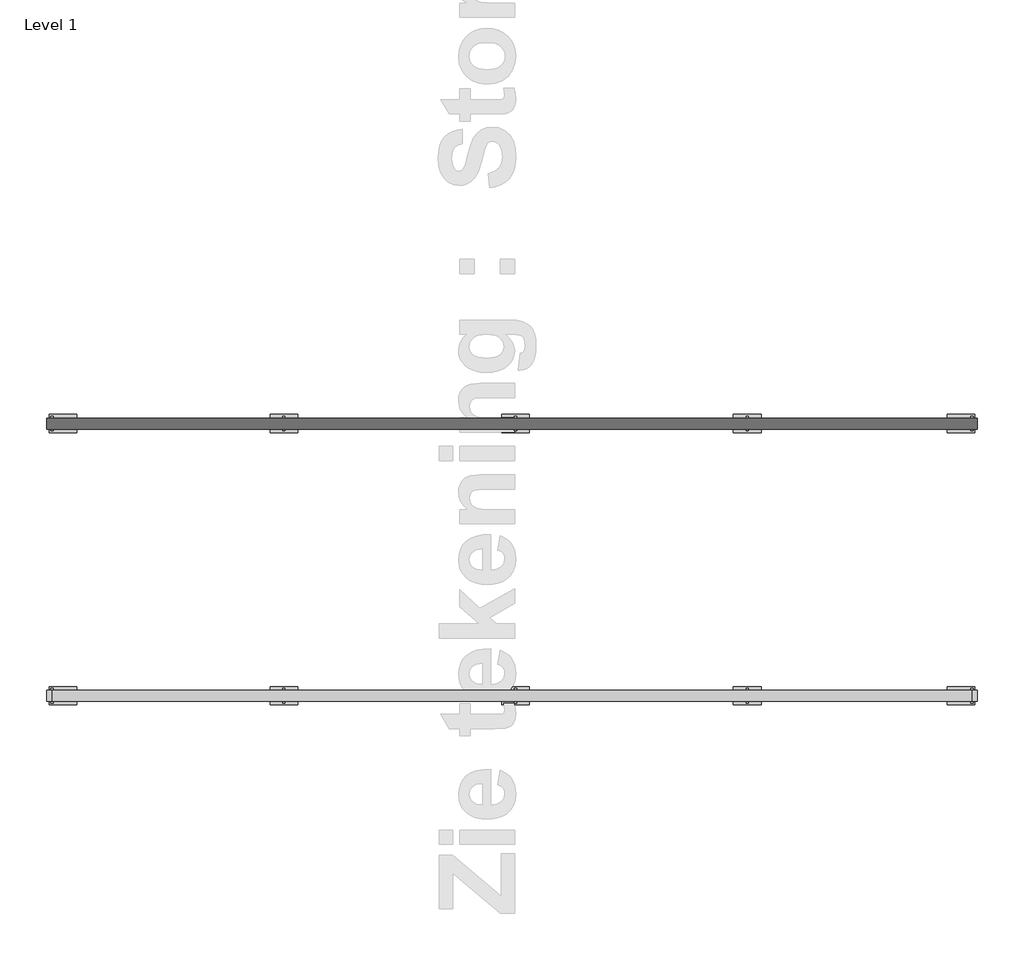
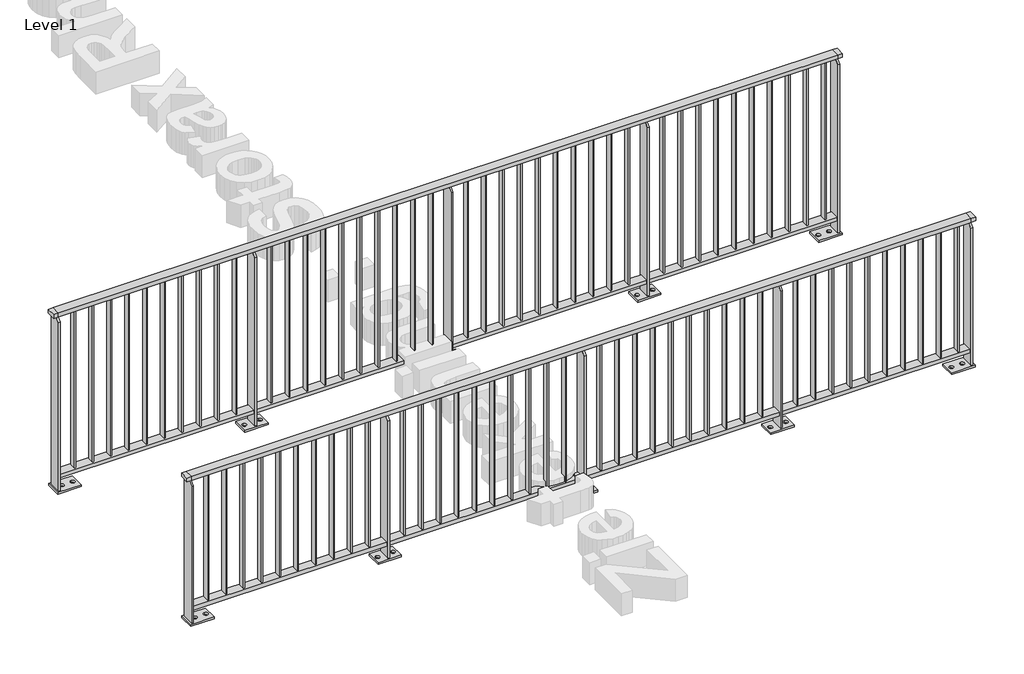
# One storey, part 6 of 20: 2 railings.
"""IFC4 building model written with IfcOpenShell, lengths in millimetres."""

from ifc_helpers import new_model, si_unit, point, frame, frame_2d, origin, origin_with_axes, place, context, project, spatial, polyline, circle_curve, trimmed, segment, composite_curve, outline, extrude, faceted_brep, element, save

model = new_model("IFC4")

# Units and contexts
model_context = context("Model", 3, world=origin())
ifc_project = project(units=[si_unit("LENGTHUNIT", "METRE", prefix="MILLI")], contexts=[model_context])

# Site, building, storey
site = spatial("IfcSite", under=ifc_project)
building = spatial("IfcBuilding", under=site)
storey = spatial("IfcBuildingStorey", under=building, Name="Level 1", Elevation=0.0)

# Railings
placement = place(None, origin())
element("IfcRailing", 1, at=placement, inside=storey, context=model_context, shape_type="SolidModel", body=[
    faceted_brep([(2259.1925079, -5700.6318854, 975.0), (2259.1925079, -5700.6318854, 1000.0), (7260.6479588, -5700.6318854, 1000.0), (7260.6479588, -5700.6318854, 975.0), (2259.1925079, -5760.6318854, 975.0), (7260.6479588, -5760.6318854, 975.0), (2259.1925079, -5760.6318854, 1000.0), (7260.6479588, -5760.6318854, 1000.0), (2229.1925079, -5700.6318854, 1000.0), (2229.1925079, -5700.6318854, 975.0), (2229.1925079, -5760.6318854, 975.0), (2229.1925079, -5760.6318854, 1000.0), (7290.6479588, -5700.6318854, 1000.0), (7290.6479588, -5760.6318854, 1000.0), (7290.6479588, -5760.6318854, 975.0), (7290.6479588, -5700.6318854, 975.0)], [[[0, 1, 2, 3]], [[4, 0, 3, 5]], [[6, 4, 5, 7]], [[1, 6, 7, 2]], [[8, 9, 10, 11]], [[9, 8, 1, 0]], [[10, 9, 0, 4]], [[11, 10, 4, 6]], [[8, 11, 6, 1]], [[12, 13, 14, 15]], [[3, 2, 12, 15]], [[5, 3, 15, 14]], [[7, 5, 14, 13]], [[2, 7, 13, 12]]]),
    extrude(outline(polyline([(2259.1925079, -5760.6318854), (2259.1925079, -5700.6318854), (7260.6479588, -5700.6318854), (7260.6479588, -5760.6318854), (2259.1925079, -5760.6318854)])), frame((0.0, 0.0, 90.0), z_axis=(0.0, 0.0, 1.0), x_axis=(1.0, 0.0, 0.0)), (0.0, 0.0, 1.0), 25.0),
    extrude(outline(polyline([(7182.6925079, -5750.6318854), (7182.6925079, -5710.6318854), (7190.6925079, -5710.6318854), (7190.6925079, -5750.6318854), (7182.6925079, -5750.6318854)])), frame((0.0, 0.0, 115.0), z_axis=(0.0, 0.0, 1.0), x_axis=(1.0, 0.0, 0.0)), (0.0, 0.0, 1.0), 860.0),
    extrude(outline(polyline([(7067.6925079, -5750.6318854), (7067.6925079, -5710.6318854), (7075.6925079, -5710.6318854), (7075.6925079, -5750.6318854), (7067.6925079, -5750.6318854)])), frame((0.0, 0.0, 115.0), z_axis=(0.0, 0.0, 1.0), x_axis=(1.0, 0.0, 0.0)), (0.0, 0.0, 1.0), 860.0),
    extrude(outline(polyline([(6952.6925079, -5750.6318854), (6952.6925079, -5710.6318854), (6960.6925079, -5710.6318854), (6960.6925079, -5750.6318854), (6952.6925079, -5750.6318854)])), frame((0.0, 0.0, 115.0), z_axis=(0.0, 0.0, 1.0), x_axis=(1.0, 0.0, 0.0)), (0.0, 0.0, 1.0), 860.0),
    extrude(outline(polyline([(6837.6925079, -5750.6318854), (6837.6925079, -5710.6318854), (6845.6925079, -5710.6318854), (6845.6925079, -5750.6318854), (6837.6925079, -5750.6318854)])), frame((0.0, 0.0, 115.0), z_axis=(0.0, 0.0, 1.0), x_axis=(1.0, 0.0, 0.0)), (0.0, 0.0, 1.0), 860.0),
    extrude(outline(polyline([(6722.6925079, -5750.6318854), (6722.6925079, -5710.6318854), (6730.6925079, -5710.6318854), (6730.6925079, -5750.6318854), (6722.6925079, -5750.6318854)])), frame((0.0, 0.0, 115.0), z_axis=(0.0, 0.0, 1.0), x_axis=(1.0, 0.0, 0.0)), (0.0, 0.0, 1.0), 860.0),
    extrude(outline(polyline([(6607.6925079, -5750.6318854), (6607.6925079, -5710.6318854), (6615.6925079, -5710.6318854), (6615.6925079, -5750.6318854), (6607.6925079, -5750.6318854)])), frame((0.0, 0.0, 115.0), z_axis=(0.0, 0.0, 1.0), x_axis=(1.0, 0.0, 0.0)), (0.0, 0.0, 1.0), 860.0),
    extrude(outline(polyline([(6492.6925079, -5750.6318854), (6492.6925079, -5710.6318854), (6500.6925079, -5710.6318854), (6500.6925079, -5750.6318854), (6492.6925079, -5750.6318854)])), frame((0.0, 0.0, 115.0), z_axis=(0.0, 0.0, 1.0), x_axis=(1.0, 0.0, 0.0)), (0.0, 0.0, 1.0), 860.0),
    extrude(outline(polyline([(6377.6925079, -5750.6318854), (6377.6925079, -5710.6318854), (6385.6925079, -5710.6318854), (6385.6925079, -5750.6318854), (6377.6925079, -5750.6318854)])), frame((0.0, 0.0, 115.0), z_axis=(0.0, 0.0, 1.0), x_axis=(1.0, 0.0, 0.0)), (0.0, 0.0, 1.0), 860.0),
    extrude(outline(polyline([(6262.6925079, -5750.6318854), (6262.6925079, -5710.6318854), (6270.6925079, -5710.6318854), (6270.6925079, -5750.6318854), (6262.6925079, -5750.6318854)])), frame((0.0, 0.0, 115.0), z_axis=(0.0, 0.0, 1.0), x_axis=(1.0, 0.0, 0.0)), (0.0, 0.0, 1.0), 860.0),
    extrude(outline(polyline([(6147.6925079, -5750.6318854), (6147.6925079, -5710.6318854), (6155.6925079, -5710.6318854), (6155.6925079, -5750.6318854), (6147.6925079, -5750.6318854)])), frame((0.0, 0.0, 115.0), z_axis=(0.0, 0.0, 1.0), x_axis=(1.0, 0.0, 0.0)), (0.0, 0.0, 1.0), 860.0),
    extrude(outline(polyline([(-5690.6318854, 12.0), (-5770.6318854, 12.0), (-5770.6318854, 942.5), (-5738.1318854, 975.0), (-5723.1318854, 975.0), (-5690.6318854, 942.5), (-5690.6318854, 12.0)])), frame((6033.1925079, 0.0, 0.0), z_axis=(1.0, 0.0, 0.0), x_axis=(0.0, 1.0, 0.0)), (0.0, 0.0, 1.0), 12.0),
    extrude(outline(polyline([(5964.1925079, -5680.6318854), (6114.1925079, -5680.6318854), (6114.1925079, -5780.6318854), (5964.1925079, -5780.6318854), (5964.1925079, -5680.6318854)]), holes=[composite_curve([segment(trimmed(circle_curve(frame_2d((5989.1925079, -5730.6318854)), 13.5), [point((5989.1925079, -5744.1318854))], [point((5989.1925079, -5717.1318854))], True, "CARTESIAN"), True, "CONTINUOUS"), segment(trimmed(circle_curve(frame_2d((5989.1925079, -5730.6318854)), 13.5), [point((5989.1925079, -5717.1318854))], [point((5989.1925079, -5744.1318854))], True, "CARTESIAN"), True, "CONTINUOUS")], self_intersect=False), composite_curve([segment(trimmed(circle_curve(frame_2d((6089.1925079, -5730.6318854)), 13.5), [point((6089.1925079, -5744.1318854))], [point((6089.1925079, -5717.1318854))], True, "CARTESIAN"), True, "CONTINUOUS"), segment(trimmed(circle_curve(frame_2d((6089.1925079, -5730.6318854)), 13.5), [point((6089.1925079, -5717.1318854))], [point((6089.1925079, -5744.1318854))], True, "CARTESIAN"), True, "CONTINUOUS")], self_intersect=False)]), origin_with_axes(), (0.0, 0.0, 1.0), 12.0),
    extrude(outline(polyline([(5922.6925079, -5750.6318854), (5922.6925079, -5710.6318854), (5930.6925079, -5710.6318854), (5930.6925079, -5750.6318854), (5922.6925079, -5750.6318854)])), frame((0.0, 0.0, 115.0), z_axis=(0.0, 0.0, 1.0), x_axis=(1.0, 0.0, 0.0)), (0.0, 0.0, 1.0), 860.0),
    extrude(outline(polyline([(5807.6925079, -5750.6318854), (5807.6925079, -5710.6318854), (5815.6925079, -5710.6318854), (5815.6925079, -5750.6318854), (5807.6925079, -5750.6318854)])), frame((0.0, 0.0, 115.0), z_axis=(0.0, 0.0, 1.0), x_axis=(1.0, 0.0, 0.0)), (0.0, 0.0, 1.0), 860.0),
    extrude(outline(polyline([(5692.6925079, -5750.6318854), (5692.6925079, -5710.6318854), (5700.6925079, -5710.6318854), (5700.6925079, -5750.6318854), (5692.6925079, -5750.6318854)])), frame((0.0, 0.0, 115.0), z_axis=(0.0, 0.0, 1.0), x_axis=(1.0, 0.0, 0.0)), (0.0, 0.0, 1.0), 860.0),
    extrude(outline(polyline([(5577.6925079, -5750.6318854), (5577.6925079, -5710.6318854), (5585.6925079, -5710.6318854), (5585.6925079, -5750.6318854), (5577.6925079, -5750.6318854)])), frame((0.0, 0.0, 115.0), z_axis=(0.0, 0.0, 1.0), x_axis=(1.0, 0.0, 0.0)), (0.0, 0.0, 1.0), 860.0),
    extrude(outline(polyline([(5462.6925079, -5750.6318854), (5462.6925079, -5710.6318854), (5470.6925079, -5710.6318854), (5470.6925079, -5750.6318854), (5462.6925079, -5750.6318854)])), frame((0.0, 0.0, 115.0), z_axis=(0.0, 0.0, 1.0), x_axis=(1.0, 0.0, 0.0)), (0.0, 0.0, 1.0), 860.0),
    extrude(outline(polyline([(5347.6925079, -5750.6318854), (5347.6925079, -5710.6318854), (5355.6925079, -5710.6318854), (5355.6925079, -5750.6318854), (5347.6925079, -5750.6318854)])), frame((0.0, 0.0, 115.0), z_axis=(0.0, 0.0, 1.0), x_axis=(1.0, 0.0, 0.0)), (0.0, 0.0, 1.0), 860.0),
    extrude(outline(polyline([(5232.6925079, -5750.6318854), (5232.6925079, -5710.6318854), (5240.6925079, -5710.6318854), (5240.6925079, -5750.6318854), (5232.6925079, -5750.6318854)])), frame((0.0, 0.0, 115.0), z_axis=(0.0, 0.0, 1.0), x_axis=(1.0, 0.0, 0.0)), (0.0, 0.0, 1.0), 860.0),
    extrude(outline(polyline([(5117.6925079, -5750.6318854), (5117.6925079, -5710.6318854), (5125.6925079, -5710.6318854), (5125.6925079, -5750.6318854), (5117.6925079, -5750.6318854)])), frame((0.0, 0.0, 115.0), z_axis=(0.0, 0.0, 1.0), x_axis=(1.0, 0.0, 0.0)), (0.0, 0.0, 1.0), 860.0),
    extrude(outline(polyline([(5002.6925079, -5750.6318854), (5002.6925079, -5710.6318854), (5010.6925079, -5710.6318854), (5010.6925079, -5750.6318854), (5002.6925079, -5750.6318854)])), frame((0.0, 0.0, 115.0), z_axis=(0.0, 0.0, 1.0), x_axis=(1.0, 0.0, 0.0)), (0.0, 0.0, 1.0), 860.0),
    extrude(outline(polyline([(4887.6925079, -5750.6318854), (4887.6925079, -5710.6318854), (4895.6925079, -5710.6318854), (4895.6925079, -5750.6318854), (4887.6925079, -5750.6318854)])), frame((0.0, 0.0, 115.0), z_axis=(0.0, 0.0, 1.0), x_axis=(1.0, 0.0, 0.0)), (0.0, 0.0, 1.0), 860.0),
    extrude(outline(polyline([(-5690.6318854, 12.0), (-5770.6318854, 12.0), (-5770.6318854, 942.5), (-5738.1318854, 975.0), (-5723.1318854, 975.0), (-5690.6318854, 942.5), (-5690.6318854, 12.0)])), frame((4773.1925079, 0.0, 0.0), z_axis=(1.0, 0.0, 0.0), x_axis=(0.0, 1.0, 0.0)), (0.0, 0.0, 1.0), 12.0),
    extrude(outline(polyline([(4704.1925079, -5680.6318854), (4854.1925079, -5680.6318854), (4854.1925079, -5780.6318854), (4704.1925079, -5780.6318854), (4704.1925079, -5680.6318854)]), holes=[composite_curve([segment(trimmed(circle_curve(frame_2d((4729.1925079, -5730.6318854)), 13.5), [point((4729.1925079, -5744.1318854))], [point((4729.1925079, -5717.1318854))], True, "CARTESIAN"), True, "CONTINUOUS"), segment(trimmed(circle_curve(frame_2d((4729.1925079, -5730.6318854)), 13.5), [point((4729.1925079, -5717.1318854))], [point((4729.1925079, -5744.1318854))], True, "CARTESIAN"), True, "CONTINUOUS")], self_intersect=False), composite_curve([segment(trimmed(circle_curve(frame_2d((4829.1925079, -5730.6318854)), 13.5), [point((4829.1925079, -5744.1318854))], [point((4829.1925079, -5717.1318854))], True, "CARTESIAN"), True, "CONTINUOUS"), segment(trimmed(circle_curve(frame_2d((4829.1925079, -5730.6318854)), 13.5), [point((4829.1925079, -5717.1318854))], [point((4829.1925079, -5744.1318854))], True, "CARTESIAN"), True, "CONTINUOUS")], self_intersect=False)]), origin_with_axes(), (0.0, 0.0, 1.0), 12.0),
    extrude(outline(polyline([(4662.6925079, -5750.6318854), (4662.6925079, -5710.6318854), (4670.6925079, -5710.6318854), (4670.6925079, -5750.6318854), (4662.6925079, -5750.6318854)])), frame((0.0, 0.0, 115.0), z_axis=(0.0, 0.0, 1.0), x_axis=(1.0, 0.0, 0.0)), (0.0, 0.0, 1.0), 860.0),
    extrude(outline(polyline([(4547.6925079, -5750.6318854), (4547.6925079, -5710.6318854), (4555.6925079, -5710.6318854), (4555.6925079, -5750.6318854), (4547.6925079, -5750.6318854)])), frame((0.0, 0.0, 115.0), z_axis=(0.0, 0.0, 1.0), x_axis=(1.0, 0.0, 0.0)), (0.0, 0.0, 1.0), 860.0),
    extrude(outline(polyline([(4432.6925079, -5750.6318854), (4432.6925079, -5710.6318854), (4440.6925079, -5710.6318854), (4440.6925079, -5750.6318854), (4432.6925079, -5750.6318854)])), frame((0.0, 0.0, 115.0), z_axis=(0.0, 0.0, 1.0), x_axis=(1.0, 0.0, 0.0)), (0.0, 0.0, 1.0), 860.0),
    extrude(outline(polyline([(4317.6925079, -5750.6318854), (4317.6925079, -5710.6318854), (4325.6925079, -5710.6318854), (4325.6925079, -5750.6318854), (4317.6925079, -5750.6318854)])), frame((0.0, 0.0, 115.0), z_axis=(0.0, 0.0, 1.0), x_axis=(1.0, 0.0, 0.0)), (0.0, 0.0, 1.0), 860.0),
    extrude(outline(polyline([(4202.6925079, -5750.6318854), (4202.6925079, -5710.6318854), (4210.6925079, -5710.6318854), (4210.6925079, -5750.6318854), (4202.6925079, -5750.6318854)])), frame((0.0, 0.0, 115.0), z_axis=(0.0, 0.0, 1.0), x_axis=(1.0, 0.0, 0.0)), (0.0, 0.0, 1.0), 860.0),
    extrude(outline(polyline([(4087.6925079, -5750.6318854), (4087.6925079, -5710.6318854), (4095.6925079, -5710.6318854), (4095.6925079, -5750.6318854), (4087.6925079, -5750.6318854)])), frame((0.0, 0.0, 115.0), z_axis=(0.0, 0.0, 1.0), x_axis=(1.0, 0.0, 0.0)), (0.0, 0.0, 1.0), 860.0),
    extrude(outline(polyline([(3972.6925079, -5750.6318854), (3972.6925079, -5710.6318854), (3980.6925079, -5710.6318854), (3980.6925079, -5750.6318854), (3972.6925079, -5750.6318854)])), frame((0.0, 0.0, 115.0), z_axis=(0.0, 0.0, 1.0), x_axis=(1.0, 0.0, 0.0)), (0.0, 0.0, 1.0), 860.0),
    extrude(outline(polyline([(3857.6925079, -5750.6318854), (3857.6925079, -5710.6318854), (3865.6925079, -5710.6318854), (3865.6925079, -5750.6318854), (3857.6925079, -5750.6318854)])), frame((0.0, 0.0, 115.0), z_axis=(0.0, 0.0, 1.0), x_axis=(1.0, 0.0, 0.0)), (0.0, 0.0, 1.0), 860.0),
    extrude(outline(polyline([(3742.6925079, -5750.6318854), (3742.6925079, -5710.6318854), (3750.6925079, -5710.6318854), (3750.6925079, -5750.6318854), (3742.6925079, -5750.6318854)])), frame((0.0, 0.0, 115.0), z_axis=(0.0, 0.0, 1.0), x_axis=(1.0, 0.0, 0.0)), (0.0, 0.0, 1.0), 860.0),
    extrude(outline(polyline([(3627.6925079, -5750.6318854), (3627.6925079, -5710.6318854), (3635.6925079, -5710.6318854), (3635.6925079, -5750.6318854), (3627.6925079, -5750.6318854)])), frame((0.0, 0.0, 115.0), z_axis=(0.0, 0.0, 1.0), x_axis=(1.0, 0.0, 0.0)), (0.0, 0.0, 1.0), 860.0),
    extrude(outline(polyline([(-5690.6318854, 12.0), (-5770.6318854, 12.0), (-5770.6318854, 942.5), (-5738.1318854, 975.0), (-5723.1318854, 975.0), (-5690.6318854, 942.5), (-5690.6318854, 12.0)])), frame((3513.1925079, 0.0, 0.0), z_axis=(1.0, 0.0, 0.0), x_axis=(0.0, 1.0, 0.0)), (0.0, 0.0, 1.0), 12.0),
    extrude(outline(polyline([(3444.1925079, -5680.6318854), (3594.1925079, -5680.6318854), (3594.1925079, -5780.6318854), (3444.1925079, -5780.6318854), (3444.1925079, -5680.6318854)]), holes=[composite_curve([segment(trimmed(circle_curve(frame_2d((3469.1925079, -5730.6318854)), 13.5), [point((3469.1925079, -5744.1318854))], [point((3469.1925079, -5717.1318854))], True, "CARTESIAN"), True, "CONTINUOUS"), segment(trimmed(circle_curve(frame_2d((3469.1925079, -5730.6318854)), 13.5), [point((3469.1925079, -5717.1318854))], [point((3469.1925079, -5744.1318854))], True, "CARTESIAN"), True, "CONTINUOUS")], self_intersect=False), composite_curve([segment(trimmed(circle_curve(frame_2d((3569.1925079, -5730.6318854)), 13.5), [point((3569.1925079, -5744.1318854))], [point((3569.1925079, -5717.1318854))], True, "CARTESIAN"), True, "CONTINUOUS"), segment(trimmed(circle_curve(frame_2d((3569.1925079, -5730.6318854)), 13.5), [point((3569.1925079, -5717.1318854))], [point((3569.1925079, -5744.1318854))], True, "CARTESIAN"), True, "CONTINUOUS")], self_intersect=False)]), origin_with_axes(), (0.0, 0.0, 1.0), 12.0),
    extrude(outline(polyline([(3402.6925079, -5750.6318854), (3402.6925079, -5710.6318854), (3410.6925079, -5710.6318854), (3410.6925079, -5750.6318854), (3402.6925079, -5750.6318854)])), frame((0.0, 0.0, 115.0), z_axis=(0.0, 0.0, 1.0), x_axis=(1.0, 0.0, 0.0)), (0.0, 0.0, 1.0), 860.0),
    extrude(outline(polyline([(3287.6925079, -5750.6318854), (3287.6925079, -5710.6318854), (3295.6925079, -5710.6318854), (3295.6925079, -5750.6318854), (3287.6925079, -5750.6318854)])), frame((0.0, 0.0, 115.0), z_axis=(0.0, 0.0, 1.0), x_axis=(1.0, 0.0, 0.0)), (0.0, 0.0, 1.0), 860.0),
    extrude(outline(polyline([(3172.6925079, -5750.6318854), (3172.6925079, -5710.6318854), (3180.6925079, -5710.6318854), (3180.6925079, -5750.6318854), (3172.6925079, -5750.6318854)])), frame((0.0, 0.0, 115.0), z_axis=(0.0, 0.0, 1.0), x_axis=(1.0, 0.0, 0.0)), (0.0, 0.0, 1.0), 860.0),
    extrude(outline(polyline([(3057.6925079, -5750.6318854), (3057.6925079, -5710.6318854), (3065.6925079, -5710.6318854), (3065.6925079, -5750.6318854), (3057.6925079, -5750.6318854)])), frame((0.0, 0.0, 115.0), z_axis=(0.0, 0.0, 1.0), x_axis=(1.0, 0.0, 0.0)), (0.0, 0.0, 1.0), 860.0),
    extrude(outline(polyline([(2942.6925079, -5750.6318854), (2942.6925079, -5710.6318854), (2950.6925079, -5710.6318854), (2950.6925079, -5750.6318854), (2942.6925079, -5750.6318854)])), frame((0.0, 0.0, 115.0), z_axis=(0.0, 0.0, 1.0), x_axis=(1.0, 0.0, 0.0)), (0.0, 0.0, 1.0), 860.0),
    extrude(outline(polyline([(2827.6925079, -5750.6318854), (2827.6925079, -5710.6318854), (2835.6925079, -5710.6318854), (2835.6925079, -5750.6318854), (2827.6925079, -5750.6318854)])), frame((0.0, 0.0, 115.0), z_axis=(0.0, 0.0, 1.0), x_axis=(1.0, 0.0, 0.0)), (0.0, 0.0, 1.0), 860.0),
    extrude(outline(polyline([(2712.6925079, -5750.6318854), (2712.6925079, -5710.6318854), (2720.6925079, -5710.6318854), (2720.6925079, -5750.6318854), (2712.6925079, -5750.6318854)])), frame((0.0, 0.0, 115.0), z_axis=(0.0, 0.0, 1.0), x_axis=(1.0, 0.0, 0.0)), (0.0, 0.0, 1.0), 860.0),
    extrude(outline(polyline([(2597.6925079, -5750.6318854), (2597.6925079, -5710.6318854), (2605.6925079, -5710.6318854), (2605.6925079, -5750.6318854), (2597.6925079, -5750.6318854)])), frame((0.0, 0.0, 115.0), z_axis=(0.0, 0.0, 1.0), x_axis=(1.0, 0.0, 0.0)), (0.0, 0.0, 1.0), 860.0),
    extrude(outline(polyline([(2482.6925079, -5750.6318854), (2482.6925079, -5710.6318854), (2490.6925079, -5710.6318854), (2490.6925079, -5750.6318854), (2482.6925079, -5750.6318854)])), frame((0.0, 0.0, 115.0), z_axis=(0.0, 0.0, 1.0), x_axis=(1.0, 0.0, 0.0)), (0.0, 0.0, 1.0), 860.0),
    extrude(outline(polyline([(2367.6925079, -5750.6318854), (2367.6925079, -5710.6318854), (2375.6925079, -5710.6318854), (2375.6925079, -5750.6318854), (2367.6925079, -5750.6318854)])), frame((0.0, 0.0, 115.0), z_axis=(0.0, 0.0, 1.0), x_axis=(1.0, 0.0, 0.0)), (0.0, 0.0, 1.0), 860.0),
    extrude(outline(polyline([(-5690.6318854, 12.0), (-5770.6318854, 12.0), (-5770.6318854, 942.5), (-5738.1318854, 975.0), (-5723.1318854, 975.0), (-5690.6318854, 942.5), (-5690.6318854, 12.0)])), frame((7254.6479588, 0.0, 0.0), z_axis=(1.0, 0.0, 0.0), x_axis=(0.0, 1.0, 0.0)), (0.0, 0.0, 1.0), 12.0),
    extrude(outline(polyline([(7126.6479588, -5680.6318854), (7276.6479588, -5680.6318854), (7276.6479588, -5780.6318854), (7126.6479588, -5780.6318854), (7126.6479588, -5680.6318854)]), holes=[composite_curve([segment(trimmed(circle_curve(frame_2d((7151.6479588, -5730.6318854)), 13.5), [point((7151.6479588, -5744.1318854))], [point((7151.6479588, -5717.1318854))], True, "CARTESIAN"), True, "CONTINUOUS"), segment(trimmed(circle_curve(frame_2d((7151.6479588, -5730.6318854)), 13.5), [point((7151.6479588, -5717.1318854))], [point((7151.6479588, -5744.1318854))], True, "CARTESIAN"), True, "CONTINUOUS")], self_intersect=False), composite_curve([segment(trimmed(circle_curve(frame_2d((7221.6479588, -5730.6318854)), 13.5), [point((7221.6479588, -5744.1318854))], [point((7221.6479588, -5717.1318854))], True, "CARTESIAN"), True, "CONTINUOUS"), segment(trimmed(circle_curve(frame_2d((7221.6479588, -5730.6318854)), 13.5), [point((7221.6479588, -5717.1318854))], [point((7221.6479588, -5744.1318854))], True, "CARTESIAN"), True, "CONTINUOUS")], self_intersect=False)]), origin_with_axes(), (0.0, 0.0, 1.0), 12.0),
    extrude(outline(polyline([(-5690.6318854, 12.0), (-5770.6318854, 12.0), (-5770.6318854, 942.5), (-5738.1318854, 975.0), (-5723.1318854, 975.0), (-5690.6318854, 942.5), (-5690.6318854, 12.0)])), frame((2253.1925079, 0.0, 0.0), z_axis=(1.0, 0.0, 0.0), x_axis=(0.0, 1.0, 0.0)), (0.0, 0.0, 1.0), 12.0),
    extrude(outline(polyline([(2243.1925079, -5680.6318854), (2393.1925079, -5680.6318854), (2393.1925079, -5780.6318854), (2243.1925079, -5780.6318854), (2243.1925079, -5680.6318854)]), holes=[composite_curve([segment(trimmed(circle_curve(frame_2d((2298.1925079, -5730.6318854)), 13.5), [point((2298.1925079, -5744.1318854))], [point((2298.1925079, -5717.1318854))], True, "CARTESIAN"), True, "CONTINUOUS"), segment(trimmed(circle_curve(frame_2d((2298.1925079, -5730.6318854)), 13.5), [point((2298.1925079, -5717.1318854))], [point((2298.1925079, -5744.1318854))], True, "CARTESIAN"), True, "CONTINUOUS")], self_intersect=False), composite_curve([segment(trimmed(circle_curve(frame_2d((2368.1925079, -5730.6318854)), 13.5), [point((2368.1925079, -5744.1318854))], [point((2368.1925079, -5717.1318854))], True, "CARTESIAN"), True, "CONTINUOUS"), segment(trimmed(circle_curve(frame_2d((2368.1925079, -5730.6318854)), 13.5), [point((2368.1925079, -5717.1318854))], [point((2368.1925079, -5744.1318854))], True, "CARTESIAN"), True, "CONTINUOUS")], self_intersect=False)]), origin_with_axes(), (0.0, 0.0, 1.0), 12.0),
])
element("IfcRailing", 2, at=placement, inside=storey, context=model_context, shape_type="SolidModel", body=[
    faceted_brep([(2259.1925079, -4220.6318854, 1187.5), (2259.1925079, -4220.6318854, 1212.5), (7260.6479588, -4220.6318854, 1212.5), (7260.6479588, -4220.6318854, 1187.5), (2259.1925079, -4280.6318854, 1187.5), (7260.6479588, -4280.6318854, 1187.5), (2259.1925079, -4280.6318854, 1212.5), (7260.6479588, -4280.6318854, 1212.5), (2229.1925079, -4220.6318854, 1212.5), (2229.1925079, -4220.6318854, 1187.5), (2229.1925079, -4280.6318854, 1187.5), (2229.1925079, -4280.6318854, 1212.5), (7290.6479588, -4220.6318854, 1212.5), (7290.6479588, -4280.6318854, 1212.5), (7290.6479588, -4280.6318854, 1187.5), (7290.6479588, -4220.6318854, 1187.5)], [[[0, 1, 2, 3]], [[4, 0, 3, 5]], [[6, 4, 5, 7]], [[1, 6, 7, 2]], [[8, 9, 10, 11]], [[9, 8, 1, 0]], [[10, 9, 0, 4]], [[11, 10, 4, 6]], [[8, 11, 6, 1]], [[12, 13, 14, 15]], [[3, 2, 12, 15]], [[5, 3, 15, 14]], [[7, 5, 14, 13]], [[2, 7, 13, 12]]]),
    extrude(outline(polyline([(2259.1925079, -4280.6318854), (2259.1925079, -4220.6318854), (7260.6479588, -4220.6318854), (7260.6479588, -4280.6318854), (2259.1925079, -4280.6318854)])), frame((0.0, 0.0, 90.0), z_axis=(0.0, 0.0, 1.0), x_axis=(1.0, 0.0, 0.0)), (0.0, 0.0, 1.0), 25.0),
    extrude(outline(polyline([(7182.6925079, -4270.6318854), (7182.6925079, -4230.6318854), (7190.6925079, -4230.6318854), (7190.6925079, -4270.6318854), (7182.6925079, -4270.6318854)])), frame((0.0, 0.0, 115.0), z_axis=(0.0, 0.0, 1.0), x_axis=(1.0, 0.0, 0.0)), (0.0, 0.0, 1.0), 1072.5),
    extrude(outline(polyline([(7067.6925079, -4270.6318854), (7067.6925079, -4230.6318854), (7075.6925079, -4230.6318854), (7075.6925079, -4270.6318854), (7067.6925079, -4270.6318854)])), frame((0.0, 0.0, 115.0), z_axis=(0.0, 0.0, 1.0), x_axis=(1.0, 0.0, 0.0)), (0.0, 0.0, 1.0), 1072.5),
    extrude(outline(polyline([(6952.6925079, -4270.6318854), (6952.6925079, -4230.6318854), (6960.6925079, -4230.6318854), (6960.6925079, -4270.6318854), (6952.6925079, -4270.6318854)])), frame((0.0, 0.0, 115.0), z_axis=(0.0, 0.0, 1.0), x_axis=(1.0, 0.0, 0.0)), (0.0, 0.0, 1.0), 1072.5),
    extrude(outline(polyline([(6837.6925079, -4270.6318854), (6837.6925079, -4230.6318854), (6845.6925079, -4230.6318854), (6845.6925079, -4270.6318854), (6837.6925079, -4270.6318854)])), frame((0.0, 0.0, 115.0), z_axis=(0.0, 0.0, 1.0), x_axis=(1.0, 0.0, 0.0)), (0.0, 0.0, 1.0), 1072.5),
    extrude(outline(polyline([(6722.6925079, -4270.6318854), (6722.6925079, -4230.6318854), (6730.6925079, -4230.6318854), (6730.6925079, -4270.6318854), (6722.6925079, -4270.6318854)])), frame((0.0, 0.0, 115.0), z_axis=(0.0, 0.0, 1.0), x_axis=(1.0, 0.0, 0.0)), (0.0, 0.0, 1.0), 1072.5),
    extrude(outline(polyline([(6607.6925079, -4270.6318854), (6607.6925079, -4230.6318854), (6615.6925079, -4230.6318854), (6615.6925079, -4270.6318854), (6607.6925079, -4270.6318854)])), frame((0.0, 0.0, 115.0), z_axis=(0.0, 0.0, 1.0), x_axis=(1.0, 0.0, 0.0)), (0.0, 0.0, 1.0), 1072.5),
    extrude(outline(polyline([(6492.6925079, -4270.6318854), (6492.6925079, -4230.6318854), (6500.6925079, -4230.6318854), (6500.6925079, -4270.6318854), (6492.6925079, -4270.6318854)])), frame((0.0, 0.0, 115.0), z_axis=(0.0, 0.0, 1.0), x_axis=(1.0, 0.0, 0.0)), (0.0, 0.0, 1.0), 1072.5),
    extrude(outline(polyline([(6377.6925079, -4270.6318854), (6377.6925079, -4230.6318854), (6385.6925079, -4230.6318854), (6385.6925079, -4270.6318854), (6377.6925079, -4270.6318854)])), frame((0.0, 0.0, 115.0), z_axis=(0.0, 0.0, 1.0), x_axis=(1.0, 0.0, 0.0)), (0.0, 0.0, 1.0), 1072.5),
    extrude(outline(polyline([(6262.6925079, -4270.6318854), (6262.6925079, -4230.6318854), (6270.6925079, -4230.6318854), (6270.6925079, -4270.6318854), (6262.6925079, -4270.6318854)])), frame((0.0, 0.0, 115.0), z_axis=(0.0, 0.0, 1.0), x_axis=(1.0, 0.0, 0.0)), (0.0, 0.0, 1.0), 1072.5),
    extrude(outline(polyline([(6147.6925079, -4270.6318854), (6147.6925079, -4230.6318854), (6155.6925079, -4230.6318854), (6155.6925079, -4270.6318854), (6147.6925079, -4270.6318854)])), frame((0.0, 0.0, 115.0), z_axis=(0.0, 0.0, 1.0), x_axis=(1.0, 0.0, 0.0)), (0.0, 0.0, 1.0), 1072.5),
    extrude(outline(polyline([(-4210.6318854, 12.0), (-4290.6318854, 12.0), (-4290.6318854, 1155.0), (-4258.1318854, 1187.5), (-4243.1318854, 1187.5), (-4210.6318854, 1155.0), (-4210.6318854, 12.0)])), frame((6033.1925079, 0.0, 0.0), z_axis=(1.0, 0.0, 0.0), x_axis=(0.0, 1.0, 0.0)), (0.0, 0.0, 1.0), 12.0),
    extrude(outline(polyline([(5964.1925079, -4200.6318854), (6114.1925079, -4200.6318854), (6114.1925079, -4300.6318854), (5964.1925079, -4300.6318854), (5964.1925079, -4200.6318854)]), holes=[composite_curve([segment(trimmed(circle_curve(frame_2d((5989.1925079, -4250.6318854)), 13.5), [point((5989.1925079, -4264.1318854))], [point((5989.1925079, -4237.1318854))], True, "CARTESIAN"), True, "CONTINUOUS"), segment(trimmed(circle_curve(frame_2d((5989.1925079, -4250.6318854)), 13.5), [point((5989.1925079, -4237.1318854))], [point((5989.1925079, -4264.1318854))], True, "CARTESIAN"), True, "CONTINUOUS")], self_intersect=False), composite_curve([segment(trimmed(circle_curve(frame_2d((6089.1925079, -4250.6318854)), 13.5), [point((6089.1925079, -4264.1318854))], [point((6089.1925079, -4237.1318854))], True, "CARTESIAN"), True, "CONTINUOUS"), segment(trimmed(circle_curve(frame_2d((6089.1925079, -4250.6318854)), 13.5), [point((6089.1925079, -4237.1318854))], [point((6089.1925079, -4264.1318854))], True, "CARTESIAN"), True, "CONTINUOUS")], self_intersect=False)]), origin_with_axes(), (0.0, 0.0, 1.0), 12.0),
    extrude(outline(polyline([(5922.6925079, -4270.6318854), (5922.6925079, -4230.6318854), (5930.6925079, -4230.6318854), (5930.6925079, -4270.6318854), (5922.6925079, -4270.6318854)])), frame((0.0, 0.0, 115.0), z_axis=(0.0, 0.0, 1.0), x_axis=(1.0, 0.0, 0.0)), (0.0, 0.0, 1.0), 1072.5),
    extrude(outline(polyline([(5807.6925079, -4270.6318854), (5807.6925079, -4230.6318854), (5815.6925079, -4230.6318854), (5815.6925079, -4270.6318854), (5807.6925079, -4270.6318854)])), frame((0.0, 0.0, 115.0), z_axis=(0.0, 0.0, 1.0), x_axis=(1.0, 0.0, 0.0)), (0.0, 0.0, 1.0), 1072.5),
    extrude(outline(polyline([(5692.6925079, -4270.6318854), (5692.6925079, -4230.6318854), (5700.6925079, -4230.6318854), (5700.6925079, -4270.6318854), (5692.6925079, -4270.6318854)])), frame((0.0, 0.0, 115.0), z_axis=(0.0, 0.0, 1.0), x_axis=(1.0, 0.0, 0.0)), (0.0, 0.0, 1.0), 1072.5),
    extrude(outline(polyline([(5577.6925079, -4270.6318854), (5577.6925079, -4230.6318854), (5585.6925079, -4230.6318854), (5585.6925079, -4270.6318854), (5577.6925079, -4270.6318854)])), frame((0.0, 0.0, 115.0), z_axis=(0.0, 0.0, 1.0), x_axis=(1.0, 0.0, 0.0)), (0.0, 0.0, 1.0), 1072.5),
    extrude(outline(polyline([(5462.6925079, -4270.6318854), (5462.6925079, -4230.6318854), (5470.6925079, -4230.6318854), (5470.6925079, -4270.6318854), (5462.6925079, -4270.6318854)])), frame((0.0, 0.0, 115.0), z_axis=(0.0, 0.0, 1.0), x_axis=(1.0, 0.0, 0.0)), (0.0, 0.0, 1.0), 1072.5),
    extrude(outline(polyline([(5347.6925079, -4270.6318854), (5347.6925079, -4230.6318854), (5355.6925079, -4230.6318854), (5355.6925079, -4270.6318854), (5347.6925079, -4270.6318854)])), frame((0.0, 0.0, 115.0), z_axis=(0.0, 0.0, 1.0), x_axis=(1.0, 0.0, 0.0)), (0.0, 0.0, 1.0), 1072.5),
    extrude(outline(polyline([(5232.6925079, -4270.6318854), (5232.6925079, -4230.6318854), (5240.6925079, -4230.6318854), (5240.6925079, -4270.6318854), (5232.6925079, -4270.6318854)])), frame((0.0, 0.0, 115.0), z_axis=(0.0, 0.0, 1.0), x_axis=(1.0, 0.0, 0.0)), (0.0, 0.0, 1.0), 1072.5),
    extrude(outline(polyline([(5117.6925079, -4270.6318854), (5117.6925079, -4230.6318854), (5125.6925079, -4230.6318854), (5125.6925079, -4270.6318854), (5117.6925079, -4270.6318854)])), frame((0.0, 0.0, 115.0), z_axis=(0.0, 0.0, 1.0), x_axis=(1.0, 0.0, 0.0)), (0.0, 0.0, 1.0), 1072.5),
    extrude(outline(polyline([(5002.6925079, -4270.6318854), (5002.6925079, -4230.6318854), (5010.6925079, -4230.6318854), (5010.6925079, -4270.6318854), (5002.6925079, -4270.6318854)])), frame((0.0, 0.0, 115.0), z_axis=(0.0, 0.0, 1.0), x_axis=(1.0, 0.0, 0.0)), (0.0, 0.0, 1.0), 1072.5),
    extrude(outline(polyline([(4887.6925079, -4270.6318854), (4887.6925079, -4230.6318854), (4895.6925079, -4230.6318854), (4895.6925079, -4270.6318854), (4887.6925079, -4270.6318854)])), frame((0.0, 0.0, 115.0), z_axis=(0.0, 0.0, 1.0), x_axis=(1.0, 0.0, 0.0)), (0.0, 0.0, 1.0), 1072.5),
    extrude(outline(polyline([(-4210.6318854, 12.0), (-4290.6318854, 12.0), (-4290.6318854, 1155.0), (-4258.1318854, 1187.5), (-4243.1318854, 1187.5), (-4210.6318854, 1155.0), (-4210.6318854, 12.0)])), frame((4773.1925079, 0.0, 0.0), z_axis=(1.0, 0.0, 0.0), x_axis=(0.0, 1.0, 0.0)), (0.0, 0.0, 1.0), 12.0),
    extrude(outline(polyline([(4704.1925079, -4200.6318854), (4854.1925079, -4200.6318854), (4854.1925079, -4300.6318854), (4704.1925079, -4300.6318854), (4704.1925079, -4200.6318854)]), holes=[composite_curve([segment(trimmed(circle_curve(frame_2d((4729.1925079, -4250.6318854)), 13.5), [point((4729.1925079, -4264.1318854))], [point((4729.1925079, -4237.1318854))], True, "CARTESIAN"), True, "CONTINUOUS"), segment(trimmed(circle_curve(frame_2d((4729.1925079, -4250.6318854)), 13.5), [point((4729.1925079, -4237.1318854))], [point((4729.1925079, -4264.1318854))], True, "CARTESIAN"), True, "CONTINUOUS")], self_intersect=False), composite_curve([segment(trimmed(circle_curve(frame_2d((4829.1925079, -4250.6318854)), 13.5), [point((4829.1925079, -4264.1318854))], [point((4829.1925079, -4237.1318854))], True, "CARTESIAN"), True, "CONTINUOUS"), segment(trimmed(circle_curve(frame_2d((4829.1925079, -4250.6318854)), 13.5), [point((4829.1925079, -4237.1318854))], [point((4829.1925079, -4264.1318854))], True, "CARTESIAN"), True, "CONTINUOUS")], self_intersect=False)]), origin_with_axes(), (0.0, 0.0, 1.0), 12.0),
    extrude(outline(polyline([(4662.6925079, -4270.6318854), (4662.6925079, -4230.6318854), (4670.6925079, -4230.6318854), (4670.6925079, -4270.6318854), (4662.6925079, -4270.6318854)])), frame((0.0, 0.0, 115.0), z_axis=(0.0, 0.0, 1.0), x_axis=(1.0, 0.0, 0.0)), (0.0, 0.0, 1.0), 1072.5),
    extrude(outline(polyline([(4547.6925079, -4270.6318854), (4547.6925079, -4230.6318854), (4555.6925079, -4230.6318854), (4555.6925079, -4270.6318854), (4547.6925079, -4270.6318854)])), frame((0.0, 0.0, 115.0), z_axis=(0.0, 0.0, 1.0), x_axis=(1.0, 0.0, 0.0)), (0.0, 0.0, 1.0), 1072.5),
    extrude(outline(polyline([(4432.6925079, -4270.6318854), (4432.6925079, -4230.6318854), (4440.6925079, -4230.6318854), (4440.6925079, -4270.6318854), (4432.6925079, -4270.6318854)])), frame((0.0, 0.0, 115.0), z_axis=(0.0, 0.0, 1.0), x_axis=(1.0, 0.0, 0.0)), (0.0, 0.0, 1.0), 1072.5),
    extrude(outline(polyline([(4317.6925079, -4270.6318854), (4317.6925079, -4230.6318854), (4325.6925079, -4230.6318854), (4325.6925079, -4270.6318854), (4317.6925079, -4270.6318854)])), frame((0.0, 0.0, 115.0), z_axis=(0.0, 0.0, 1.0), x_axis=(1.0, 0.0, 0.0)), (0.0, 0.0, 1.0), 1072.5),
    extrude(outline(polyline([(4202.6925079, -4270.6318854), (4202.6925079, -4230.6318854), (4210.6925079, -4230.6318854), (4210.6925079, -4270.6318854), (4202.6925079, -4270.6318854)])), frame((0.0, 0.0, 115.0), z_axis=(0.0, 0.0, 1.0), x_axis=(1.0, 0.0, 0.0)), (0.0, 0.0, 1.0), 1072.5),
    extrude(outline(polyline([(4087.6925079, -4270.6318854), (4087.6925079, -4230.6318854), (4095.6925079, -4230.6318854), (4095.6925079, -4270.6318854), (4087.6925079, -4270.6318854)])), frame((0.0, 0.0, 115.0), z_axis=(0.0, 0.0, 1.0), x_axis=(1.0, 0.0, 0.0)), (0.0, 0.0, 1.0), 1072.5),
    extrude(outline(polyline([(3972.6925079, -4270.6318854), (3972.6925079, -4230.6318854), (3980.6925079, -4230.6318854), (3980.6925079, -4270.6318854), (3972.6925079, -4270.6318854)])), frame((0.0, 0.0, 115.0), z_axis=(0.0, 0.0, 1.0), x_axis=(1.0, 0.0, 0.0)), (0.0, 0.0, 1.0), 1072.5),
    extrude(outline(polyline([(3857.6925079, -4270.6318854), (3857.6925079, -4230.6318854), (3865.6925079, -4230.6318854), (3865.6925079, -4270.6318854), (3857.6925079, -4270.6318854)])), frame((0.0, 0.0, 115.0), z_axis=(0.0, 0.0, 1.0), x_axis=(1.0, 0.0, 0.0)), (0.0, 0.0, 1.0), 1072.5),
    extrude(outline(polyline([(3742.6925079, -4270.6318854), (3742.6925079, -4230.6318854), (3750.6925079, -4230.6318854), (3750.6925079, -4270.6318854), (3742.6925079, -4270.6318854)])), frame((0.0, 0.0, 115.0), z_axis=(0.0, 0.0, 1.0), x_axis=(1.0, 0.0, 0.0)), (0.0, 0.0, 1.0), 1072.5),
    extrude(outline(polyline([(3627.6925079, -4270.6318854), (3627.6925079, -4230.6318854), (3635.6925079, -4230.6318854), (3635.6925079, -4270.6318854), (3627.6925079, -4270.6318854)])), frame((0.0, 0.0, 115.0), z_axis=(0.0, 0.0, 1.0), x_axis=(1.0, 0.0, 0.0)), (0.0, 0.0, 1.0), 1072.5),
    extrude(outline(polyline([(-4210.6318854, 12.0), (-4290.6318854, 12.0), (-4290.6318854, 1155.0), (-4258.1318854, 1187.5), (-4243.1318854, 1187.5), (-4210.6318854, 1155.0), (-4210.6318854, 12.0)])), frame((3513.1925079, 0.0, 0.0), z_axis=(1.0, 0.0, 0.0), x_axis=(0.0, 1.0, 0.0)), (0.0, 0.0, 1.0), 12.0),
    extrude(outline(polyline([(3444.1925079, -4200.6318854), (3594.1925079, -4200.6318854), (3594.1925079, -4300.6318854), (3444.1925079, -4300.6318854), (3444.1925079, -4200.6318854)]), holes=[composite_curve([segment(trimmed(circle_curve(frame_2d((3469.1925079, -4250.6318854)), 13.5), [point((3469.1925079, -4264.1318854))], [point((3469.1925079, -4237.1318854))], True, "CARTESIAN"), True, "CONTINUOUS"), segment(trimmed(circle_curve(frame_2d((3469.1925079, -4250.6318854)), 13.5), [point((3469.1925079, -4237.1318854))], [point((3469.1925079, -4264.1318854))], True, "CARTESIAN"), True, "CONTINUOUS")], self_intersect=False), composite_curve([segment(trimmed(circle_curve(frame_2d((3569.1925079, -4250.6318854)), 13.5), [point((3569.1925079, -4264.1318854))], [point((3569.1925079, -4237.1318854))], True, "CARTESIAN"), True, "CONTINUOUS"), segment(trimmed(circle_curve(frame_2d((3569.1925079, -4250.6318854)), 13.5), [point((3569.1925079, -4237.1318854))], [point((3569.1925079, -4264.1318854))], True, "CARTESIAN"), True, "CONTINUOUS")], self_intersect=False)]), origin_with_axes(), (0.0, 0.0, 1.0), 12.0),
    extrude(outline(polyline([(3402.6925079, -4270.6318854), (3402.6925079, -4230.6318854), (3410.6925079, -4230.6318854), (3410.6925079, -4270.6318854), (3402.6925079, -4270.6318854)])), frame((0.0, 0.0, 115.0), z_axis=(0.0, 0.0, 1.0), x_axis=(1.0, 0.0, 0.0)), (0.0, 0.0, 1.0), 1072.5),
    extrude(outline(polyline([(3287.6925079, -4270.6318854), (3287.6925079, -4230.6318854), (3295.6925079, -4230.6318854), (3295.6925079, -4270.6318854), (3287.6925079, -4270.6318854)])), frame((0.0, 0.0, 115.0), z_axis=(0.0, 0.0, 1.0), x_axis=(1.0, 0.0, 0.0)), (0.0, 0.0, 1.0), 1072.5),
    extrude(outline(polyline([(3172.6925079, -4270.6318854), (3172.6925079, -4230.6318854), (3180.6925079, -4230.6318854), (3180.6925079, -4270.6318854), (3172.6925079, -4270.6318854)])), frame((0.0, 0.0, 115.0), z_axis=(0.0, 0.0, 1.0), x_axis=(1.0, 0.0, 0.0)), (0.0, 0.0, 1.0), 1072.5),
    extrude(outline(polyline([(3057.6925079, -4270.6318854), (3057.6925079, -4230.6318854), (3065.6925079, -4230.6318854), (3065.6925079, -4270.6318854), (3057.6925079, -4270.6318854)])), frame((0.0, 0.0, 115.0), z_axis=(0.0, 0.0, 1.0), x_axis=(1.0, 0.0, 0.0)), (0.0, 0.0, 1.0), 1072.5),
    extrude(outline(polyline([(2942.6925079, -4270.6318854), (2942.6925079, -4230.6318854), (2950.6925079, -4230.6318854), (2950.6925079, -4270.6318854), (2942.6925079, -4270.6318854)])), frame((0.0, 0.0, 115.0), z_axis=(0.0, 0.0, 1.0), x_axis=(1.0, 0.0, 0.0)), (0.0, 0.0, 1.0), 1072.5),
    extrude(outline(polyline([(2827.6925079, -4270.6318854), (2827.6925079, -4230.6318854), (2835.6925079, -4230.6318854), (2835.6925079, -4270.6318854), (2827.6925079, -4270.6318854)])), frame((0.0, 0.0, 115.0), z_axis=(0.0, 0.0, 1.0), x_axis=(1.0, 0.0, 0.0)), (0.0, 0.0, 1.0), 1072.5),
    extrude(outline(polyline([(2712.6925079, -4270.6318854), (2712.6925079, -4230.6318854), (2720.6925079, -4230.6318854), (2720.6925079, -4270.6318854), (2712.6925079, -4270.6318854)])), frame((0.0, 0.0, 115.0), z_axis=(0.0, 0.0, 1.0), x_axis=(1.0, 0.0, 0.0)), (0.0, 0.0, 1.0), 1072.5),
    extrude(outline(polyline([(2597.6925079, -4270.6318854), (2597.6925079, -4230.6318854), (2605.6925079, -4230.6318854), (2605.6925079, -4270.6318854), (2597.6925079, -4270.6318854)])), frame((0.0, 0.0, 115.0), z_axis=(0.0, 0.0, 1.0), x_axis=(1.0, 0.0, 0.0)), (0.0, 0.0, 1.0), 1072.5),
    extrude(outline(polyline([(2482.6925079, -4270.6318854), (2482.6925079, -4230.6318854), (2490.6925079, -4230.6318854), (2490.6925079, -4270.6318854), (2482.6925079, -4270.6318854)])), frame((0.0, 0.0, 115.0), z_axis=(0.0, 0.0, 1.0), x_axis=(1.0, 0.0, 0.0)), (0.0, 0.0, 1.0), 1072.5),
    extrude(outline(polyline([(2367.6925079, -4270.6318854), (2367.6925079, -4230.6318854), (2375.6925079, -4230.6318854), (2375.6925079, -4270.6318854), (2367.6925079, -4270.6318854)])), frame((0.0, 0.0, 115.0), z_axis=(0.0, 0.0, 1.0), x_axis=(1.0, 0.0, 0.0)), (0.0, 0.0, 1.0), 1072.5),
    extrude(outline(polyline([(-4210.6318854, 12.0), (-4290.6318854, 12.0), (-4290.6318854, 1155.0), (-4258.1318854, 1187.5), (-4243.1318854, 1187.5), (-4210.6318854, 1155.0), (-4210.6318854, 12.0)])), frame((7254.6479588, 0.0, 0.0), z_axis=(1.0, 0.0, 0.0), x_axis=(0.0, 1.0, 0.0)), (0.0, 0.0, 1.0), 12.0),
    extrude(outline(polyline([(7126.6479588, -4200.6318854), (7276.6479588, -4200.6318854), (7276.6479588, -4300.6318854), (7126.6479588, -4300.6318854), (7126.6479588, -4200.6318854)]), holes=[composite_curve([segment(trimmed(circle_curve(frame_2d((7151.6479588, -4250.6318854)), 13.5), [point((7151.6479588, -4264.1318854))], [point((7151.6479588, -4237.1318854))], True, "CARTESIAN"), True, "CONTINUOUS"), segment(trimmed(circle_curve(frame_2d((7151.6479588, -4250.6318854)), 13.5), [point((7151.6479588, -4237.1318854))], [point((7151.6479588, -4264.1318854))], True, "CARTESIAN"), True, "CONTINUOUS")], self_intersect=False), composite_curve([segment(trimmed(circle_curve(frame_2d((7221.6479588, -4250.6318854)), 13.5), [point((7221.6479588, -4264.1318854))], [point((7221.6479588, -4237.1318854))], True, "CARTESIAN"), True, "CONTINUOUS"), segment(trimmed(circle_curve(frame_2d((7221.6479588, -4250.6318854)), 13.5), [point((7221.6479588, -4237.1318854))], [point((7221.6479588, -4264.1318854))], True, "CARTESIAN"), True, "CONTINUOUS")], self_intersect=False)]), origin_with_axes(), (0.0, 0.0, 1.0), 12.0),
    extrude(outline(polyline([(-4210.6318854, 12.0), (-4290.6318854, 12.0), (-4290.6318854, 1155.0), (-4258.1318854, 1187.5), (-4243.1318854, 1187.5), (-4210.6318854, 1155.0), (-4210.6318854, 12.0)])), frame((2253.1925079, 0.0, 0.0), z_axis=(1.0, 0.0, 0.0), x_axis=(0.0, 1.0, 0.0)), (0.0, 0.0, 1.0), 12.0),
    extrude(outline(polyline([(2243.1925079, -4200.6318854), (2393.1925079, -4200.6318854), (2393.1925079, -4300.6318854), (2243.1925079, -4300.6318854), (2243.1925079, -4200.6318854)]), holes=[composite_curve([segment(trimmed(circle_curve(frame_2d((2298.1925079, -4250.6318854)), 13.5), [point((2298.1925079, -4264.1318854))], [point((2298.1925079, -4237.1318854))], True, "CARTESIAN"), True, "CONTINUOUS"), segment(trimmed(circle_curve(frame_2d((2298.1925079, -4250.6318854)), 13.5), [point((2298.1925079, -4237.1318854))], [point((2298.1925079, -4264.1318854))], True, "CARTESIAN"), True, "CONTINUOUS")], self_intersect=False), composite_curve([segment(trimmed(circle_curve(frame_2d((2368.1925079, -4250.6318854)), 13.5), [point((2368.1925079, -4264.1318854))], [point((2368.1925079, -4237.1318854))], True, "CARTESIAN"), True, "CONTINUOUS"), segment(trimmed(circle_curve(frame_2d((2368.1925079, -4250.6318854)), 13.5), [point((2368.1925079, -4237.1318854))], [point((2368.1925079, -4264.1318854))], True, "CARTESIAN"), True, "CONTINUOUS")], self_intersect=False)]), origin_with_axes(), (0.0, 0.0, 1.0), 12.0),
])

save(model, "model.ifc")
